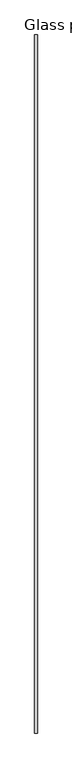
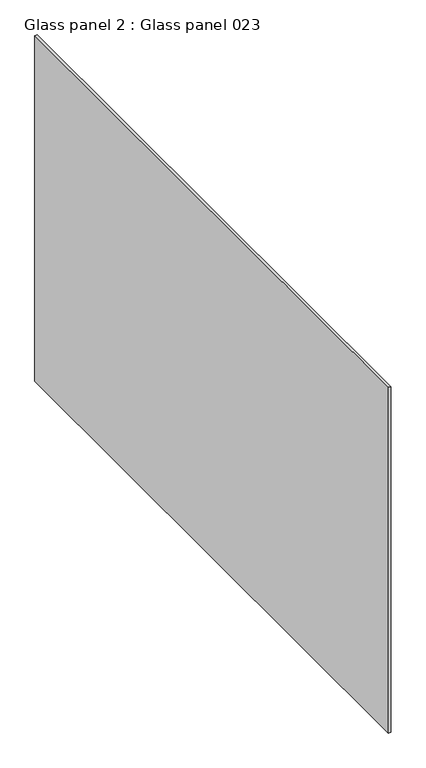
"""IFC4 building model written with IfcOpenShell, lengths in millimetres: proxy geometry, Glass panel 2 : Glass panel 023."""

from ifc_helpers import new_model, si_unit, frame, origin, place, context, project, spatial, polyline, outline, extrude, source, transform, mapped, element, save


def glass_panel_2_glass_panel_023_623410b9(model_context):
    return source(origin(), model_context, "Body", "SweptSolid", [
        extrude(outline(polyline([(37611.4306247, -20663.3894301), (37605.6902244, -20663.3894301), (37605.6902244, -19129.8390301), (37611.4306247, -19129.8390301), (37611.4306247, -20663.3894301)])), frame((0.0, 0.0, 910.5119968), z_axis=(0.0, 0.0, 1.0), x_axis=(1.0, 0.0, 0.0)), (0.0, 0.0, 1.0), 914.4),
    ])


if __name__ == "__main__":
    model = new_model("IFC4")
    model_context = context("Model", 3, world=origin())
    ifc_project = project(units=[si_unit("LENGTHUNIT", "METRE", prefix="MILLI")], contexts=[model_context])
    site = spatial("IfcSite", under=ifc_project)
    building = spatial("IfcBuilding", under=site)
    placement = place(None, origin())
    glass_panel_2_glass_panel_023_shape = glass_panel_2_glass_panel_023_623410b9(model_context)
    element("IfcBuildingElementProxy", 1, Name="Glass panel 2 : Glass panel 023", ObjectType="Glass panel 2 : Glass panel 023", at=placement, inside=building, context=model_context, shape_type="MappedRepresentation", body=[
        mapped(glass_panel_2_glass_panel_023_shape, transform((0.0, 0.0, 0.0), x_axis=(1.0, 0.0, 0.0), y_axis=(0.0, 1.0, 0.0), z_axis=(0.0, 0.0, 1.0))),
    ])
    save(model, "model.ifc")
